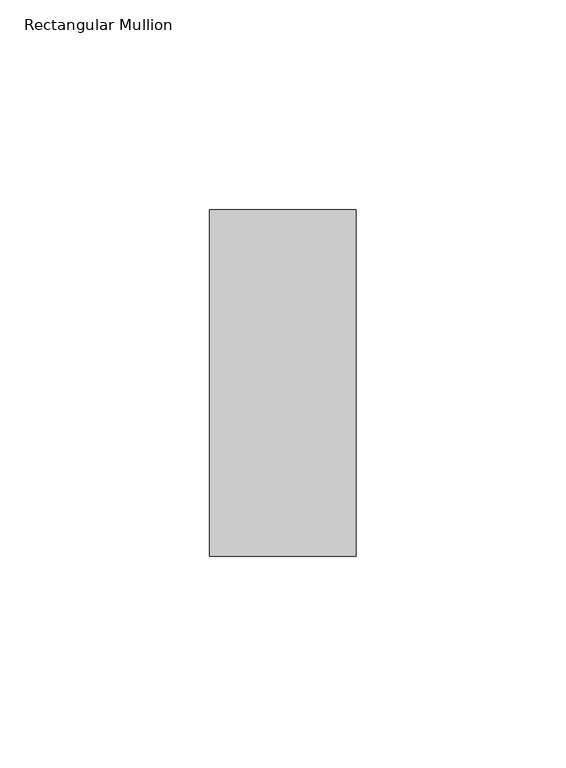
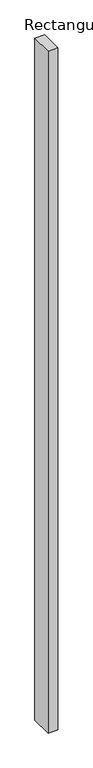
"""IFC4 building model written with IfcOpenShell, lengths in millimetres: member geometry, Rectangular Mullion."""

from ifc_helpers import new_model, si_unit, frame, origin, place, context, project, spatial, polyline, outline, extrude, source, transform, mapped, element, save


def rectangular_mullion_dd5a0b5e(model_context):
    return source(origin(), model_context, "Body", "SweptSolid", [
        extrude(outline(polyline([(-34.925, -73.025), (-34.925, 9.525), (0.0, 9.525), (0.0, -73.025), (-34.925, -73.025)])), frame((0.0, 0.0, -2613.025), z_axis=(0.0, 0.0, 1.0), x_axis=(1.0, 0.0, 0.0)), (0.0, 0.0, 1.0), 2613.025),
    ])


if __name__ == "__main__":
    model = new_model("IFC4")
    model_context = context("Model", 3, world=origin())
    ifc_project = project(units=[si_unit("LENGTHUNIT", "METRE", prefix="MILLI")], contexts=[model_context])
    site = spatial("IfcSite", under=ifc_project)
    building = spatial("IfcBuilding", under=site)
    placement = place(None, origin())
    rectangular_mullion_shape = rectangular_mullion_dd5a0b5e(model_context)
    element("IfcMember", 1, ObjectType="Rectangular Mullion", at=placement, inside=building, context=model_context, shape_type="MappedRepresentation", body=[
        mapped(rectangular_mullion_shape, transform((0.0, 0.0, 0.0), x_axis=(1.0, 0.0, 0.0), y_axis=(0.0, 1.0, 0.0), z_axis=(0.0, 0.0, 1.0))),
    ])
    save(model, "model.ifc")
